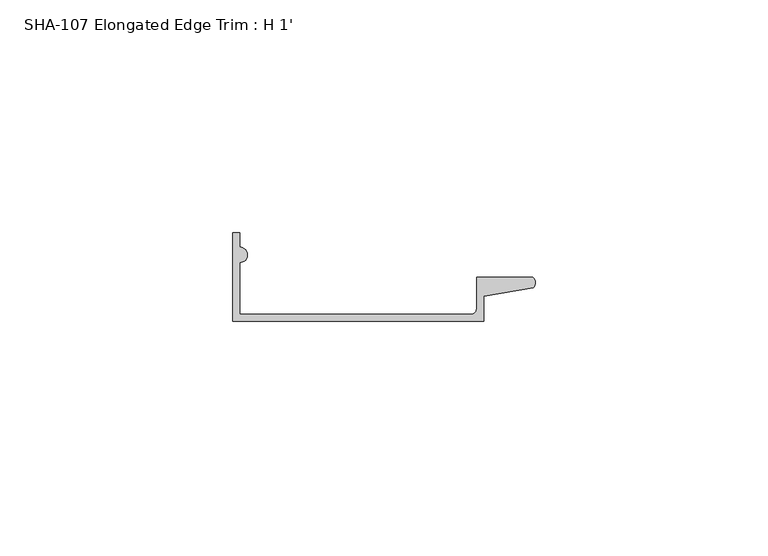
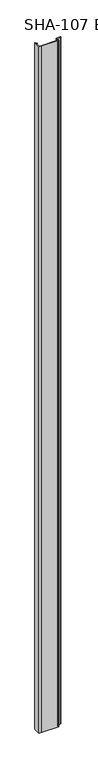
"""IFC4 building model written with IfcOpenShell, lengths in millimetres: proxy geometry, SHA-107 Elongated Edge Trim : H 1'."""

import ifcopenshell
import ifcopenshell.guid

model = None  # the IFC model being written
_history = None  # IfcOwnerHistory: only IFC2X3 demands one
_inside = {}  # id of a spatial element -> (the spatial element, [elements in it])
_under = {}  # id of a project, library or spatial element -> (it, [spatial elements below it])
_declared = {}  # id of a project -> (the project, [libraries it declares])
_typed = {}  # id of a type object -> (the type object, [elements of that type])
_made_of = {}  # id of a material, layer set ... -> (it, [elements and type objects made of it])


def new_model(schema):
    """Start an empty IFC model of exactly this schema.

    Asked for "IFC4X3", IfcOpenShell would pick the latest addendum, in which some entities
    have other attributes; the version numbers below select the first issue.
    IFC2X3 requires an IfcOwnerHistory on every rooted entity: one is made here for all.
    """
    global model, _history
    if schema == "IFC4X3":
        model = ifcopenshell.file(schema_version=(4, 3, 0, 0))
    else:
        model = ifcopenshell.file(schema=schema)
    _inside.clear()
    _under.clear()
    _declared.clear()
    _typed.clear()
    _made_of.clear()
    _history = None
    if model.schema == "IFC2X3":
        org = make("IfcOrganization", Name="unknown")
        user = make(
            "IfcPersonAndOrganization",
            ThePerson=make("IfcPerson", FamilyName="unknown"),
            TheOrganization=org,
        )
        app = make(
            "IfcApplication",
            ApplicationDeveloper=org,
            Version="unknown",
            ApplicationFullName="unknown",
            ApplicationIdentifier="unknown",
        )
        _history = make(
            "IfcOwnerHistory",
            OwningUser=user,
            OwningApplication=app,
            ChangeAction="ADDED",
            CreationDate=0,
        )
    return model


def make(cls, **values):
    """One entity of the class cls with the attributes given. An attribute that is None is left unset."""
    return model.create_entity(
        cls, **{name: value for name, value in values.items() if value is not None}
    )


def rooted(cls, **values):
    """An entity with a GlobalId (a new one), such as an element, a storey or a relation."""
    return make(cls, GlobalId=ifcopenshell.guid.new(), OwnerHistory=_history, **values)


def si_unit(unit_type, name, prefix=None):
    """IfcSIUnit, for example si_unit("LENGTHUNIT", "METRE", prefix="MILLI")."""
    return make("IfcSIUnit", UnitType=unit_type, Prefix=prefix, Name=name)


def assignment(units):
    """IfcUnitAssignment: the units of a project."""
    return None if units is None else make("IfcUnitAssignment", Units=units)


def point(xyz):
    """IfcCartesianPoint."""
    return None if xyz is None else make("IfcCartesianPoint", Coordinates=xyz)


def direction(xyz):
    """IfcDirection."""
    return None if xyz is None else make("IfcDirection", DirectionRatios=xyz)


def frame(location, z_axis=None, x_axis=None):
    """IfcAxis2Placement3D, a coordinate frame: its origin and axes. An axis left out is left unset."""
    return make(
        "IfcAxis2Placement3D",
        Location=point(location),
        Axis=direction(z_axis),
        RefDirection=direction(x_axis),
    )


def frame_2d(location, x_axis=None):
    """IfcAxis2Placement2D, a coordinate frame in the plane: its origin and x axis."""
    return make(
        "IfcAxis2Placement2D", Location=point(location), RefDirection=direction(x_axis)
    )


def origin():
    """The frame at (0, 0, 0) with its axes left unset."""
    return frame((0.0, 0.0, 0.0))


def origin_with_axes():
    """The frame at (0, 0, 0) with the z axis (0, 0, 1) and the x axis (1, 0, 0) written out."""
    return frame((0.0, 0.0, 0.0), z_axis=(0.0, 0.0, 1.0), x_axis=(1.0, 0.0, 0.0))


def place(relative_to, where):
    """IfcLocalPlacement: puts the frame where relative to a parent placement (None: the world)."""
    return make(
        "IfcLocalPlacement", PlacementRelTo=relative_to, RelativePlacement=where
    )


def context(
    kind, dimensions, precision=None, world=None, true_north=None, identifier=None
):
    """IfcGeometricRepresentationContext, for example the 3D "Model" context."""
    return make(
        "IfcGeometricRepresentationContext",
        ContextIdentifier=identifier,
        ContextType=kind,
        CoordinateSpaceDimension=dimensions,
        Precision=precision,
        WorldCoordinateSystem=world,
        TrueNorth=true_north,
    )


def project(units=None, contexts=None):
    """IfcProject with its units and contexts."""
    return rooted(
        "IfcProject",
        Name="project",
        RepresentationContexts=contexts,
        UnitsInContext=assignment(units),
    )


def spatial(cls, under=None, at=None, **own):
    """A site, building, storey or space (cls), placed at a placement, below another one or the project."""
    s = rooted(cls, ObjectPlacement=at, **own)
    if under is not None:
        _under.setdefault(under.id(), (under, []))[1].append(s)
    return s


def polyline(points):
    """IfcPolyline through the points."""
    return make("IfcPolyline", Points=[point(p) for p in points])


def circle_curve(where, radius):
    """IfcCircle in the frame where."""
    return make("IfcCircle", Position=where, Radius=radius)


def trimmed(basis, trim1, trim2, sense, master):
    """IfcTrimmedCurve: the piece of a basis curve between two trims."""
    return make(
        "IfcTrimmedCurve",
        BasisCurve=basis,
        Trim1=trim1,
        Trim2=trim2,
        SenseAgreement=sense,
        MasterRepresentation=master,
    )


def segment(curve, same_sense, transition):
    """IfcCompositeCurveSegment."""
    return make(
        "IfcCompositeCurveSegment",
        Transition=transition,
        SameSense=same_sense,
        ParentCurve=curve,
    )


def composite_curve(segments, self_intersect=None):
    """IfcCompositeCurve: segments joined end to end."""
    return make("IfcCompositeCurve", Segments=segments, SelfIntersect=self_intersect)


def outline(outer, holes=None, kind="AREA"):
    """IfcArbitraryClosedProfileDef: a profile drawn as a closed curve; with holes, ...WithVoids."""
    if holes is None:
        return make("IfcArbitraryClosedProfileDef", ProfileType=kind, OuterCurve=outer)
    return make(
        "IfcArbitraryProfileDefWithVoids",
        ProfileType=kind,
        OuterCurve=outer,
        InnerCurves=holes,
    )


def extrude(swept, where, along, depth):
    """IfcExtrudedAreaSolid: the profile swept, set in the frame where, extruded along a direction by depth."""
    return make(
        "IfcExtrudedAreaSolid",
        SweptArea=swept,
        Position=where,
        ExtrudedDirection=direction(along),
        Depth=depth,
    )


def shape(context_of_items, identifier, shape_type, items):
    """IfcShapeRepresentation: the items that make up one representation, for example the "Body"."""
    return make(
        "IfcShapeRepresentation",
        ContextOfItems=context_of_items,
        RepresentationIdentifier=identifier,
        RepresentationType=shape_type,
        Items=items,
    )


def source(mapping_origin, context_of_items, identifier, shape_type, items):
    """IfcRepresentationMap: a shape defined once, which mapped items show again and again."""
    return make(
        "IfcRepresentationMap",
        MappingOrigin=mapping_origin,
        MappedRepresentation=shape(context_of_items, identifier, shape_type, items),
    )


def transform(
    local_origin,
    x_axis=None,
    y_axis=None,
    z_axis=None,
    scale=None,
    scale2=None,
    scale3=None,
    uniform=True,
):
    """IfcCartesianTransformationOperator3D, or its non-uniform kind. x_axis, y_axis, z_axis: its Axis1, 2, 3."""
    if uniform:
        return make(
            "IfcCartesianTransformationOperator3D",
            Axis1=direction(x_axis),
            Axis2=direction(y_axis),
            LocalOrigin=point(local_origin),
            Scale=scale,
            Axis3=direction(z_axis),
        )
    return make(
        "IfcCartesianTransformationOperator3DnonUniform",
        Axis1=direction(x_axis),
        Axis2=direction(y_axis),
        LocalOrigin=point(local_origin),
        Scale=scale,
        Axis3=direction(z_axis),
        Scale2=scale2,
        Scale3=scale3,
    )


def mapped(mapping_source, mapping_target):
    """IfcMappedItem: shows the shape of a source again, moved by a transform."""
    return make(
        "IfcMappedItem", MappingSource=mapping_source, MappingTarget=mapping_target
    )


def made_of(thing, what):
    """Note that an element or type object is made of a material, layer set ...; save() writes the relation."""
    if what is not None:
        _made_of.setdefault(what.id(), (what, []))[1].append(thing)
    return thing


def element(
    cls,
    number,
    at=None,
    inside=None,
    cuts=None,
    type_object=None,
    material=None,
    context=None,
    identifier="Body",
    shape_type=None,
    held_by="IfcProductDefinitionShape",
    body=None,
    shapes=None,
    **own,
):
    """One element of the class cls, such as IfcWall. Its Tag is "e" and its number.

    at: its placement. inside: the storey or other place that contains it. cuts: it is an
    opening in that element (IfcRelVoidsElement). A single representation is given by context,
    identifier, shape_type and body (its items); several are given by shapes. held_by: the class
    of the entity that holds the representations. save() writes the other relations.
    """
    e = rooted(cls, Tag="e%d" % number, ObjectPlacement=at, **own)
    if body is not None:
        shapes = [shape(context, identifier, shape_type, body)]
    if shapes is not None:
        e.Representation = make(held_by, Representations=shapes)
    if inside is not None:
        _inside.setdefault(inside.id(), (inside, []))[1].append(e)
    if cuts is not None:
        rooted(
            "IfcRelVoidsElement", RelatingBuildingElement=cuts, RelatedOpeningElement=e
        )
    if type_object is not None:
        _typed.setdefault(type_object.id(), (type_object, []))[1].append(e)
    return made_of(e, material)


def aggregate(whole, parts):
    """IfcRelAggregates: a whole, such as a stair, and the parts it consists of."""
    return rooted("IfcRelAggregates", RelatingObject=whole, RelatedObjects=parts)


def save(model, path):
    """Write the relations noted so far, then the file.

    IfcRelAggregates (storeys below a building ...), IfcRelContainedInSpatialStructure (elements
    in a storey), IfcRelDefinesByType, IfcRelAssociatesMaterial and IfcRelDeclares: one each for
    every whole, place, type object, material and project.
    """
    for whole, parts in _under.values():
        aggregate(whole, parts)
    for where, things in _inside.values():
        rooted(
            "IfcRelContainedInSpatialStructure",
            RelatedElements=things,
            RelatingStructure=where,
        )
    for kind, things in _typed.values():
        rooted("IfcRelDefinesByType", RelatedObjects=things, RelatingType=kind)
    for what, things in _made_of.values():
        rooted("IfcRelAssociatesMaterial", RelatedObjects=things, RelatingMaterial=what)
    for by, libraries in _declared.values():
        rooted("IfcRelDeclares", RelatingContext=by, RelatedDefinitions=libraries)
    model.write(path)


def sha_107_elongated_edge_trim_h_1_8825d61a(model_context):
    return source(origin(), model_context, "Body", "SweptSolid", [
        extrude(outline(composite_curve([segment(trimmed(circle_curve(frame_2d((51.1493937, -16.3036238)), 1.2260608), [point((51.1493937, -17.5296846))], [point((52.3754545, -16.3036238))], True, "CARTESIAN"), True, "CONTINUOUS"), segment(polyline([(52.3754545, -16.3036238), (52.3754545, -9.525), (64.4602576, -9.525)]), True, "CONTINUOUS"), segment(trimmed(circle_curve(frame_2d((63.3694999, -10.7176765)), 1.6162393), [point((64.4602576, -9.525))], [point((64.5263414, -11.8463692))], False, "CARTESIAN"), True, "CONTINUOUS"), segment(polyline([(64.5263414, -11.8463692), (53.8957699, -13.6666726), (53.8957699, -19.05), (7.5462543, -19.05), (0.0, -19.05), (0.0, 0.0), (1.5203154, 0.0), (1.5203154, -3.1078154)]), True, "CONTINUOUS"), segment(trimmed(circle_curve(frame_2d((1.5203154, -4.7625)), 1.6546846), [point((1.5203154, -3.1078154))], [point((1.5203154, -6.4171846))], False, "CARTESIAN"), True, "CONTINUOUS"), segment(polyline([(1.5203154, -6.4171846), (1.5203154, -17.5296846), (7.5462543, -17.5296846), (51.1493937, -17.5296846)]), True, "CONTINUOUS")], self_intersect=False)), origin_with_axes(), (0.0, 0.0, 1.0), 1987.55),
    ])


if __name__ == "__main__":
    model = new_model("IFC4")
    model_context = context("Model", 3, world=origin())
    ifc_project = project(units=[si_unit("LENGTHUNIT", "METRE", prefix="MILLI")], contexts=[model_context])
    site = spatial("IfcSite", under=ifc_project)
    building = spatial("IfcBuilding", under=site)
    placement = place(None, origin())
    sha_107_elongated_edge_trim_h_1_shape = sha_107_elongated_edge_trim_h_1_8825d61a(model_context)
    element("IfcBuildingElementProxy", 1, Name="SHA-107 Elongated Edge Trim : H 1'", ObjectType="SHA-107 Elongated Edge Trim : H 1'", at=placement, inside=building, context=model_context, shape_type="MappedRepresentation", body=[
        mapped(sha_107_elongated_edge_trim_h_1_shape, transform((0.0, 0.0, 0.0), x_axis=(1.0, 0.0, 0.0), y_axis=(0.0, 1.0, 0.0), z_axis=(0.0, 0.0, 1.0))),
    ])
    save(model, "model.ifc")
